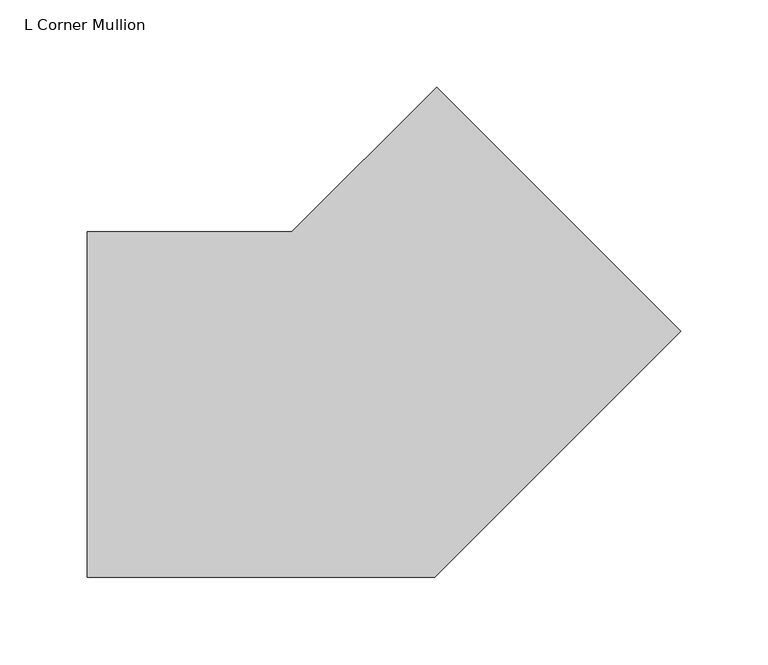
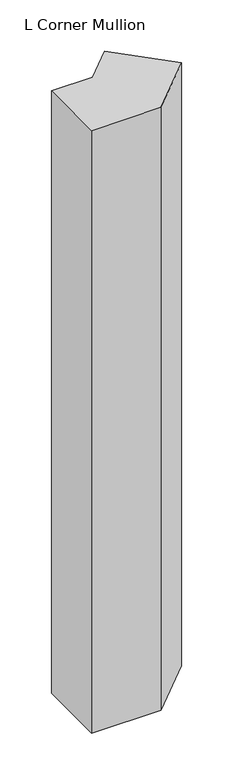
"""IFC4 building model written with IfcOpenShell, lengths in millimetres: member geometry, L Corner Mullion."""

from ifc_helpers import new_model, si_unit, frame, origin, place, context, project, spatial, polyline, outline, extrude, source, transform, mapped, element, save


def l_corner_mullion_d305d88f(model_context):
    return source(origin(), model_context, "Body", "SweptSolid", [
        extrude(outline(polyline([(206.0837575, -15.0550494), (64.770057, -156.36875), (-135.0776949, -156.36875), (-135.0776949, 42.06875), (-17.4254468, 42.06875), (65.7672557, 125.2614525), (206.0837575, -15.0550494)])), frame((0.0, 0.0, -1828.8), z_axis=(0.0, 0.0, 1.0), x_axis=(1.0, 0.0, 0.0)), (0.0, 0.0, 1.0), 1828.8),
    ])


if __name__ == "__main__":
    model = new_model("IFC4")
    model_context = context("Model", 3, world=origin())
    ifc_project = project(units=[si_unit("LENGTHUNIT", "METRE", prefix="MILLI")], contexts=[model_context])
    site = spatial("IfcSite", under=ifc_project)
    building = spatial("IfcBuilding", under=site)
    placement = place(None, origin())
    l_corner_mullion_shape = l_corner_mullion_d305d88f(model_context)
    element("IfcMember", 1, ObjectType="L Corner Mullion", at=placement, inside=building, context=model_context, shape_type="MappedRepresentation", body=[
        mapped(l_corner_mullion_shape, transform((0.0, 0.0, 0.0), x_axis=(1.0, 0.0, 0.0), y_axis=(0.0, 1.0, 0.0), z_axis=(0.0, 0.0, 1.0))),
    ])
    save(model, "model.ifc")
